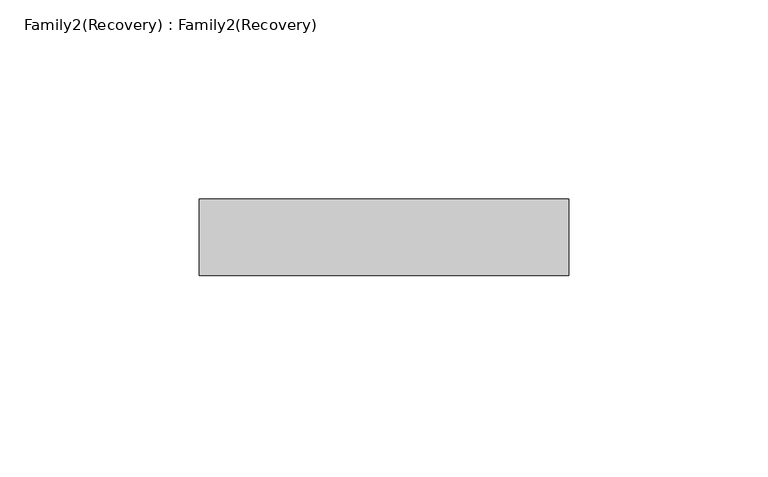
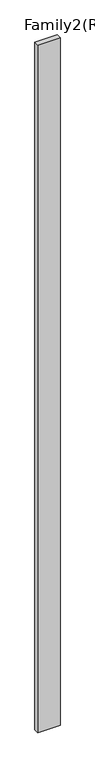
"""IFC4 building model written with IfcOpenShell, lengths in millimetres: plate geometry, Family2(Recovery) : Family2(Recovery)."""

from ifc_helpers import new_model, si_unit, origin, origin_with_axes, place, context, project, spatial, polyline, outline, extrude, source, transform, mapped, element, save


def family2_recovery_family2_recovery_6fa00b9a(model_context):
    return source(origin(), model_context, "Body", "SweptSolid", [
        extrude(outline(polyline([(-46.4566, 50.038), (46.4566, 50.038), (46.4566, 30.7340002), (-46.4566, 30.7340002), (-46.4566, 50.038)])), origin_with_axes(), (0.0, 0.0, 1.0), 3012.2368001),
    ])


if __name__ == "__main__":
    model = new_model("IFC4")
    model_context = context("Model", 3, world=origin())
    ifc_project = project(units=[si_unit("LENGTHUNIT", "METRE", prefix="MILLI")], contexts=[model_context])
    site = spatial("IfcSite", under=ifc_project)
    building = spatial("IfcBuilding", under=site)
    placement = place(None, origin())
    family2_recovery_family2_recovery_shape = family2_recovery_family2_recovery_6fa00b9a(model_context)
    element("IfcPlate", 1, ObjectType="Family2(Recovery) : Family2(Recovery)", at=placement, inside=building, context=model_context, shape_type="MappedRepresentation", body=[
        mapped(family2_recovery_family2_recovery_shape, transform((0.0, 0.0, 0.0), x_axis=(1.0, 0.0, 0.0), y_axis=(0.0, 1.0, 0.0), z_axis=(0.0, 0.0, 1.0))),
    ])
    save(model, "model.ifc")
